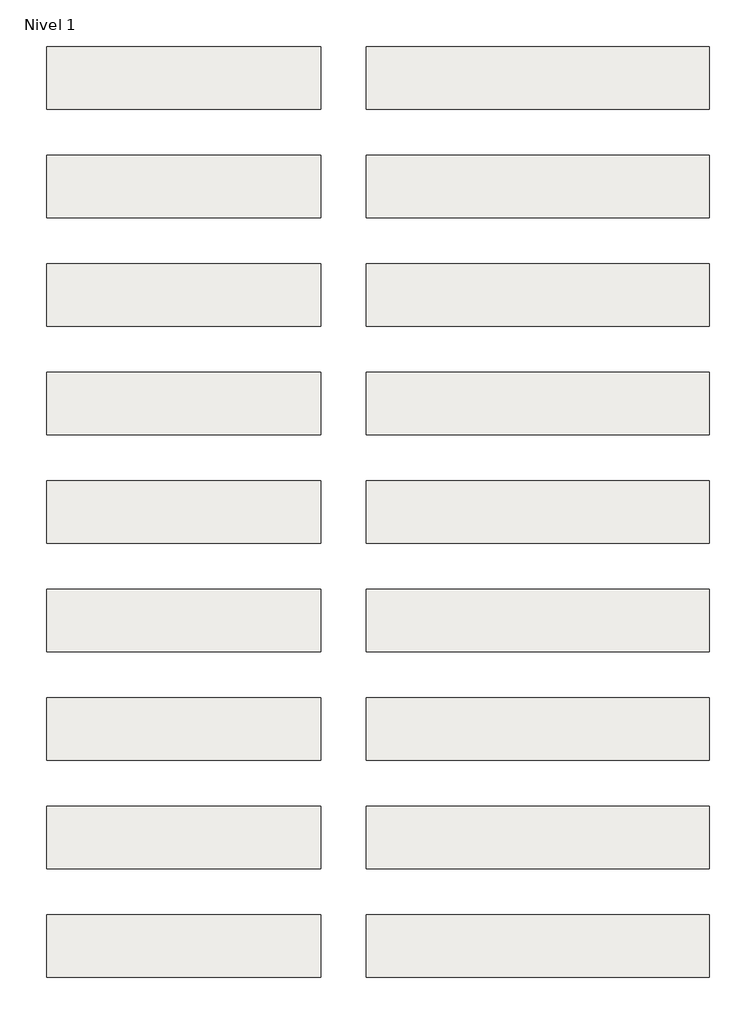
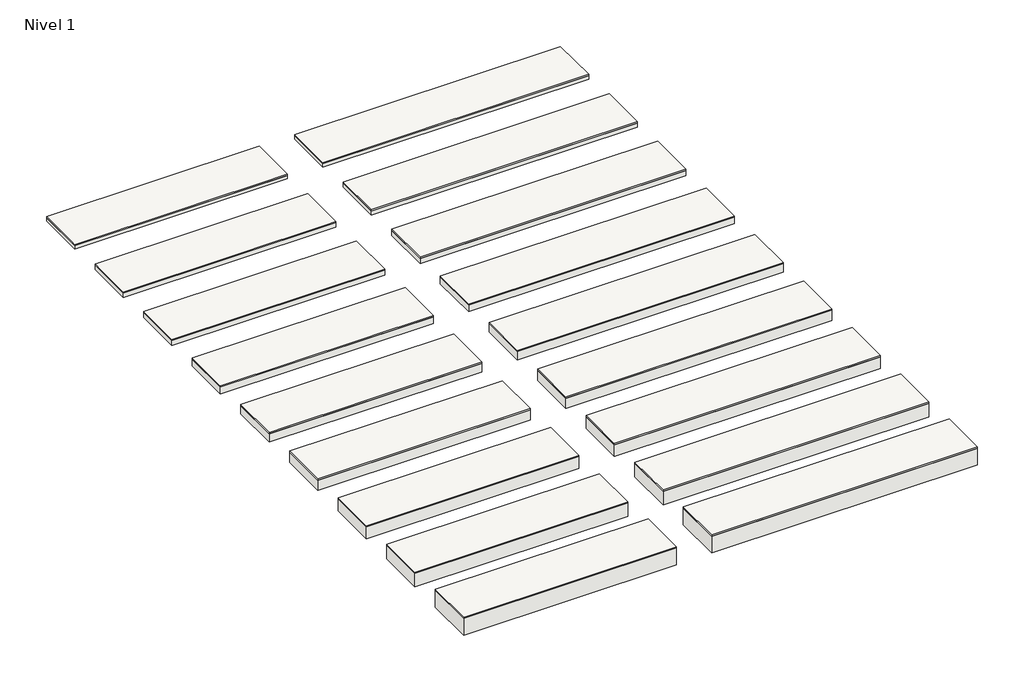
# One storey: 18 roofs.
"""IFC4 building model written with IfcOpenShell, lengths in millimetres."""

from ifc_helpers import new_model, si_unit, frame, origin, origin_with_axes, place, context, project, spatial, polyline, outline, extrude, element, save

model = new_model("IFC4")

# Units and contexts
model_context = context("Model", 3, world=origin())
ifc_project = project(units=[si_unit("LENGTHUNIT", "METRE", prefix="MILLI")], contexts=[model_context])

# Site, building, storey
site = spatial("IfcSite", under=ifc_project)
building = spatial("IfcBuilding", under=site)
storey = spatial("IfcBuildingStorey", under=building, Name="Nivel 1", Elevation=0.0)

# Roofs
placement = place(None, origin())
element("IfcRoof", 1, at=placement, inside=storey, context=model_context, shape_type="SweptSolid", body=[
    extrude(outline(polyline([(-3824.6699095, -6894.5376473), (-1424.6699095, -6894.5376473), (-1424.6699095, -7444.5376473), (-3824.6699095, -7444.5376473), (-3824.6699095, -6894.5376473)])), frame((0.0, 0.0, 50.0), z_axis=(0.0, 0.0, 1.0), x_axis=(1.0, 0.0, 0.0)), (0.0, 0.0, 1.0), 15.0),
    extrude(outline(polyline([(-3824.6699095, -6894.5376473), (-1424.6699095, -6894.5376473), (-1424.6699095, -7444.5376473), (-3824.6699095, -7444.5376473), (-3824.6699095, -6894.5376473)])), origin_with_axes(), (0.0, 0.0, 1.0), 50.0),
])
element("IfcRoof", 2, at=placement, inside=storey, context=model_context, shape_type="SweptSolid", body=[
    extrude(outline(polyline([(-3824.6699095, -5944.5376473), (-1424.6699095, -5944.5376473), (-1424.6699095, -6494.5376473), (-3824.6699095, -6494.5376473), (-3824.6699095, -5944.5376473)])), frame((0.0, 0.0, 40.0), z_axis=(0.0, 0.0, 1.0), x_axis=(1.0, 0.0, 0.0)), (0.0, 0.0, 1.0), 15.0),
    extrude(outline(polyline([(-3824.6699095, -5944.5376473), (-1424.6699095, -5944.5376473), (-1424.6699095, -6494.5376473), (-3824.6699095, -6494.5376473), (-3824.6699095, -5944.5376473)])), origin_with_axes(), (0.0, 0.0, 1.0), 40.0),
])
element("IfcRoof", 3, at=placement, inside=storey, context=model_context, shape_type="SweptSolid", body=[
    extrude(outline(polyline([(-3824.6699095, -7844.5376473), (-1424.6699095, -7844.5376473), (-1424.6699095, -8394.5376473), (-3824.6699095, -8394.5376473), (-3824.6699095, -7844.5376473)])), frame((0.0, 0.0, 60.0), z_axis=(0.0, 0.0, 1.0), x_axis=(1.0, 0.0, 0.0)), (0.0, 0.0, 1.0), 15.0),
    extrude(outline(polyline([(-3824.6699095, -7844.5376473), (-1424.6699095, -7844.5376473), (-1424.6699095, -8394.5376473), (-3824.6699095, -8394.5376473), (-3824.6699095, -7844.5376473)])), origin_with_axes(), (0.0, 0.0, 1.0), 60.0),
])
element("IfcRoof", 4, at=placement, inside=storey, context=model_context, shape_type="SweptSolid", body=[
    extrude(outline(polyline([(-3824.6699095, -8794.5376473), (-1424.6699095, -8794.5376473), (-1424.6699095, -9344.5376473), (-3824.6699095, -9344.5376473), (-3824.6699095, -8794.5376473)])), frame((0.0, 0.0, 80.0), z_axis=(0.0, 0.0, 1.0), x_axis=(1.0, 0.0, 0.0)), (0.0, 0.0, 1.0), 15.0),
    extrude(outline(polyline([(-3824.6699095, -8794.5376473), (-1424.6699095, -8794.5376473), (-1424.6699095, -9344.5376473), (-3824.6699095, -9344.5376473), (-3824.6699095, -8794.5376473)])), origin_with_axes(), (0.0, 0.0, 1.0), 80.0),
])
element("IfcRoof", 5, at=placement, inside=storey, context=model_context, shape_type="SweptSolid", body=[
    extrude(outline(polyline([(-3824.6699095, -9744.5376473), (-1424.6699095, -9744.5376473), (-1424.6699095, -10294.5376473), (-3824.6699095, -10294.5376473), (-3824.6699095, -9744.5376473)])), frame((0.0, 0.0, 100.0), z_axis=(0.0, 0.0, 1.0), x_axis=(1.0, 0.0, 0.0)), (0.0, 0.0, 1.0), 15.0),
    extrude(outline(polyline([(-3824.6699095, -9744.5376473), (-1424.6699095, -9744.5376473), (-1424.6699095, -10294.5376473), (-3824.6699095, -10294.5376473), (-3824.6699095, -9744.5376473)])), origin_with_axes(), (0.0, 0.0, 1.0), 100.0),
])
element("IfcRoof", 6, at=placement, inside=storey, context=model_context, shape_type="SweptSolid", body=[
    extrude(outline(polyline([(-3824.6699095, -10694.5376473), (-1424.6699095, -10694.5376473), (-1424.6699095, -11244.5376473), (-3824.6699095, -11244.5376473), (-3824.6699095, -10694.5376473)])), frame((0.0, 0.0, 120.0), z_axis=(0.0, 0.0, 1.0), x_axis=(1.0, 0.0, 0.0)), (0.0, 0.0, 1.0), 15.0),
    extrude(outline(polyline([(-3824.6699095, -10694.5376473), (-1424.6699095, -10694.5376473), (-1424.6699095, -11244.5376473), (-3824.6699095, -11244.5376473), (-3824.6699095, -10694.5376473)])), origin_with_axes(), (0.0, 0.0, 1.0), 120.0),
])
element("IfcRoof", 7, at=placement, inside=storey, context=model_context, shape_type="SweptSolid", body=[
    extrude(outline(polyline([(-3824.6699095, -11644.5376473), (-1424.6699095, -11644.5376473), (-1424.6699095, -12194.5376473), (-3824.6699095, -12194.5376473), (-3824.6699095, -11644.5376473)])), frame((0.0, 0.0, 140.0), z_axis=(0.0, 0.0, 1.0), x_axis=(1.0, 0.0, 0.0)), (0.0, 0.0, 1.0), 15.0),
    extrude(outline(polyline([(-3824.6699095, -11644.5376473), (-1424.6699095, -11644.5376473), (-1424.6699095, -12194.5376473), (-3824.6699095, -12194.5376473), (-3824.6699095, -11644.5376473)])), origin_with_axes(), (0.0, 0.0, 1.0), 140.0),
])
element("IfcRoof", 8, at=placement, inside=storey, context=model_context, shape_type="SweptSolid", body=[
    extrude(outline(polyline([(-3824.6699095, -12594.5376473), (-1424.6699095, -12594.5376473), (-1424.6699095, -13144.5376473), (-3824.6699095, -13144.5376473), (-3824.6699095, -12594.5376473)])), frame((0.0, 0.0, 160.0), z_axis=(0.0, 0.0, 1.0), x_axis=(1.0, 0.0, 0.0)), (0.0, 0.0, 1.0), 15.0),
    extrude(outline(polyline([(-3824.6699095, -12594.5376473), (-1424.6699095, -12594.5376473), (-1424.6699095, -13144.5376473), (-3824.6699095, -13144.5376473), (-3824.6699095, -12594.5376473)])), origin_with_axes(), (0.0, 0.0, 1.0), 160.0),
])
element("IfcRoof", 9, at=placement, inside=storey, context=model_context, shape_type="SweptSolid", body=[
    extrude(outline(polyline([(-3824.6699095, -13544.5376473), (-1424.6699095, -13544.5376473), (-1424.6699095, -14094.5376473), (-3824.6699095, -14094.5376473), (-3824.6699095, -13544.5376473)])), frame((0.0, 0.0, 200.0), z_axis=(0.0, 0.0, 1.0), x_axis=(1.0, 0.0, 0.0)), (0.0, 0.0, 1.0), 15.0),
    extrude(outline(polyline([(-3824.6699095, -13544.5376473), (-1424.6699095, -13544.5376473), (-1424.6699095, -14094.5376473), (-3824.6699095, -14094.5376473), (-3824.6699095, -13544.5376473)])), origin_with_axes(), (0.0, 0.0, 1.0), 200.0),
])
element("IfcRoof", 10, at=placement, inside=storey, context=model_context, shape_type="SweptSolid", body=[
    extrude(outline(polyline([(-1024.6699095, -6894.5376473), (1975.3300905, -6894.5376473), (1975.3300905, -7444.5376473), (-1024.6699095, -7444.5376473), (-1024.6699095, -6894.5376473)])), frame((0.0, 0.0, 50.0), z_axis=(0.0, 0.0, 1.0), x_axis=(1.0, 0.0, 0.0)), (0.0, 0.0, 1.0), 15.0),
    extrude(outline(polyline([(-1024.6699095, -6894.5376473), (1975.3300905, -6894.5376473), (1975.3300905, -7444.5376473), (-1024.6699095, -7444.5376473), (-1024.6699095, -6894.5376473)])), origin_with_axes(), (0.0, 0.0, 1.0), 50.0),
])
element("IfcRoof", 11, at=placement, inside=storey, context=model_context, shape_type="SweptSolid", body=[
    extrude(outline(polyline([(-1024.6699095, -5944.5376473), (1975.3300905, -5944.5376473), (1975.3300905, -6494.5376473), (-1024.6699095, -6494.5376473), (-1024.6699095, -5944.5376473)])), frame((0.0, 0.0, 40.0), z_axis=(0.0, 0.0, 1.0), x_axis=(1.0, 0.0, 0.0)), (0.0, 0.0, 1.0), 15.0),
    extrude(outline(polyline([(-1024.6699095, -5944.5376473), (1975.3300905, -5944.5376473), (1975.3300905, -6494.5376473), (-1024.6699095, -6494.5376473), (-1024.6699095, -5944.5376473)])), origin_with_axes(), (0.0, 0.0, 1.0), 40.0),
])
element("IfcRoof", 12, at=placement, inside=storey, context=model_context, shape_type="SweptSolid", body=[
    extrude(outline(polyline([(-1024.6699095, -7844.5376473), (1975.3300905, -7844.5376473), (1975.3300905, -8394.5376473), (-1024.6699095, -8394.5376473), (-1024.6699095, -7844.5376473)])), frame((0.0, 0.0, 60.0), z_axis=(0.0, 0.0, 1.0), x_axis=(1.0, 0.0, 0.0)), (0.0, 0.0, 1.0), 15.0),
    extrude(outline(polyline([(-1024.6699095, -7844.5376473), (1975.3300905, -7844.5376473), (1975.3300905, -8394.5376473), (-1024.6699095, -8394.5376473), (-1024.6699095, -7844.5376473)])), origin_with_axes(), (0.0, 0.0, 1.0), 60.0),
])
element("IfcRoof", 13, at=placement, inside=storey, context=model_context, shape_type="SweptSolid", body=[
    extrude(outline(polyline([(-1024.6699095, -8794.5376473), (1975.3300905, -8794.5376473), (1975.3300905, -9344.5376473), (-1024.6699095, -9344.5376473), (-1024.6699095, -8794.5376473)])), frame((0.0, 0.0, 80.0), z_axis=(0.0, 0.0, 1.0), x_axis=(1.0, 0.0, 0.0)), (0.0, 0.0, 1.0), 15.0),
    extrude(outline(polyline([(-1024.6699095, -8794.5376473), (1975.3300905, -8794.5376473), (1975.3300905, -9344.5376473), (-1024.6699095, -9344.5376473), (-1024.6699095, -8794.5376473)])), origin_with_axes(), (0.0, 0.0, 1.0), 80.0),
])
element("IfcRoof", 14, at=placement, inside=storey, context=model_context, shape_type="SweptSolid", body=[
    extrude(outline(polyline([(-1024.6699095, -9744.5376473), (1975.3300905, -9744.5376473), (1975.3300905, -10294.5376473), (-1024.6699095, -10294.5376473), (-1024.6699095, -9744.5376473)])), frame((0.0, 0.0, 100.0), z_axis=(0.0, 0.0, 1.0), x_axis=(1.0, 0.0, 0.0)), (0.0, 0.0, 1.0), 15.0),
    extrude(outline(polyline([(-1024.6699095, -9744.5376473), (1975.3300905, -9744.5376473), (1975.3300905, -10294.5376473), (-1024.6699095, -10294.5376473), (-1024.6699095, -9744.5376473)])), origin_with_axes(), (0.0, 0.0, 1.0), 100.0),
])
element("IfcRoof", 15, at=placement, inside=storey, context=model_context, shape_type="SweptSolid", body=[
    extrude(outline(polyline([(-1024.6699095, -10694.5376473), (1975.3300905, -10694.5376473), (1975.3300905, -11244.5376473), (-1024.6699095, -11244.5376473), (-1024.6699095, -10694.5376473)])), frame((0.0, 0.0, 120.0), z_axis=(0.0, 0.0, 1.0), x_axis=(1.0, 0.0, 0.0)), (0.0, 0.0, 1.0), 15.0),
    extrude(outline(polyline([(-1024.6699095, -10694.5376473), (1975.3300905, -10694.5376473), (1975.3300905, -11244.5376473), (-1024.6699095, -11244.5376473), (-1024.6699095, -10694.5376473)])), origin_with_axes(), (0.0, 0.0, 1.0), 120.0),
])
element("IfcRoof", 16, at=placement, inside=storey, context=model_context, shape_type="SweptSolid", body=[
    extrude(outline(polyline([(-1024.6699095, -11644.5376473), (1975.3300905, -11644.5376473), (1975.3300905, -12194.5376473), (-1024.6699095, -12194.5376473), (-1024.6699095, -11644.5376473)])), frame((0.0, 0.0, 140.0), z_axis=(0.0, 0.0, 1.0), x_axis=(1.0, 0.0, 0.0)), (0.0, 0.0, 1.0), 15.0),
    extrude(outline(polyline([(-1024.6699095, -11644.5376473), (1975.3300905, -11644.5376473), (1975.3300905, -12194.5376473), (-1024.6699095, -12194.5376473), (-1024.6699095, -11644.5376473)])), origin_with_axes(), (0.0, 0.0, 1.0), 140.0),
])
element("IfcRoof", 17, at=placement, inside=storey, context=model_context, shape_type="SweptSolid", body=[
    extrude(outline(polyline([(-1024.6699095, -12594.5376473), (1975.3300905, -12594.5376473), (1975.3300905, -13144.5376473), (-1024.6699095, -13144.5376473), (-1024.6699095, -12594.5376473)])), frame((0.0, 0.0, 160.0), z_axis=(0.0, 0.0, 1.0), x_axis=(1.0, 0.0, 0.0)), (0.0, 0.0, 1.0), 15.0),
    extrude(outline(polyline([(-1024.6699095, -12594.5376473), (1975.3300905, -12594.5376473), (1975.3300905, -13144.5376473), (-1024.6699095, -13144.5376473), (-1024.6699095, -12594.5376473)])), origin_with_axes(), (0.0, 0.0, 1.0), 160.0),
])
element("IfcRoof", 18, at=placement, inside=storey, context=model_context, shape_type="SweptSolid", body=[
    extrude(outline(polyline([(-1024.6699095, -13544.5376473), (1975.3300905, -13544.5376473), (1975.3300905, -14094.5376473), (-1024.6699095, -14094.5376473), (-1024.6699095, -13544.5376473)])), frame((0.0, 0.0, 200.0), z_axis=(0.0, 0.0, 1.0), x_axis=(1.0, 0.0, 0.0)), (0.0, 0.0, 1.0), 15.0),
    extrude(outline(polyline([(-1024.6699095, -13544.5376473), (1975.3300905, -13544.5376473), (1975.3300905, -14094.5376473), (-1024.6699095, -14094.5376473), (-1024.6699095, -13544.5376473)])), origin_with_axes(), (0.0, 0.0, 1.0), 200.0),
])

save(model, "model.ifc")
